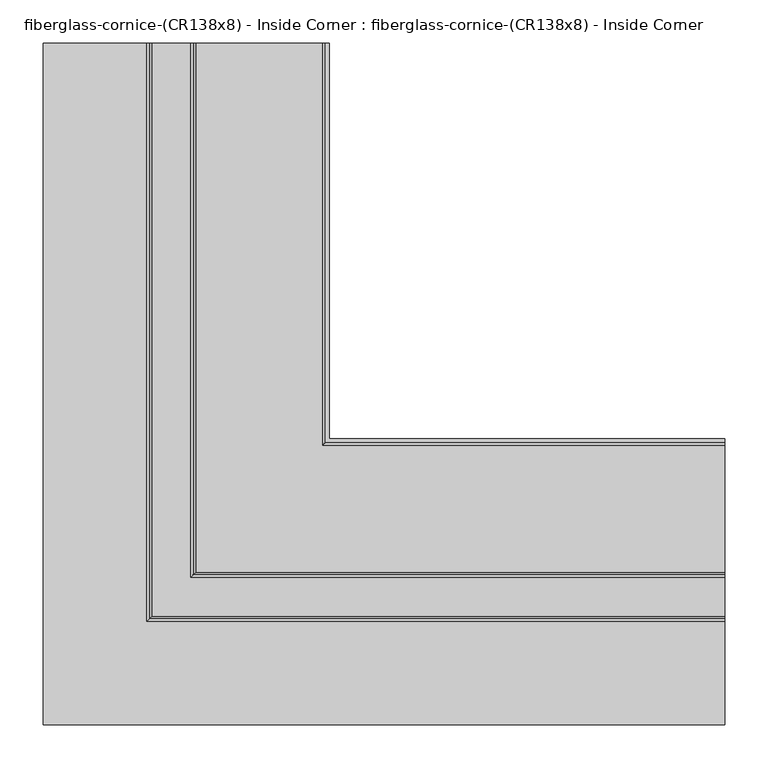
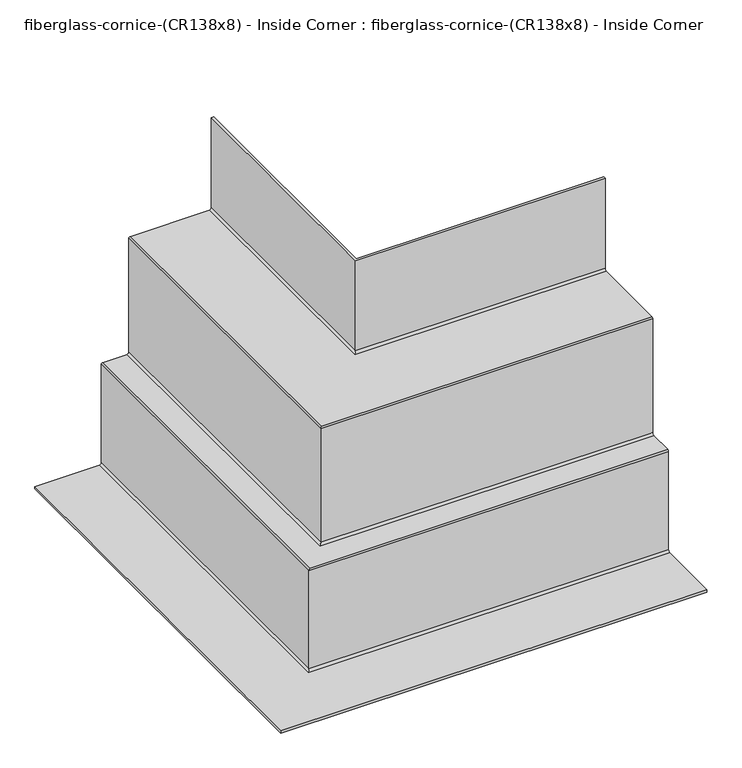
"""IFC4 building model written with IfcOpenShell, lengths in millimetres: furniture geometry, fiberglass-cornice-(CR138x8) - Inside Corner : fiberglass-cornice-(CR138x8) - Inside Corner."""

from ifc_helpers import new_model, si_unit, frame, origin, place, context, project, spatial, polyline, circle_curve, ellipse_curve, source, transform, mapped, element, save
from ifc_brep_helpers import plane_surface, cylinder_surface, revolved_surface, advanced_brep


def fiberglass_cornice_cr138x8_inside_corner_fiberglass_cornice_bce8684c(model_context):
    return source(origin(), model_context, "Body", "AdvancedBrep", [
        advanced_brep(
        [(-63.5000072, 888.603125, 330.1999904), (-63.5000072, 888.603125, 149.2249705), (-66.6749976, 888.603125, 146.0499801), (-212.7249739, 888.603125, 146.0499801), (-215.8999941, 888.603125, 142.8749599), (-215.8999941, 888.603125, -79.37501), (-219.0750144, 888.603125, -82.5500302), (-263.5249994, 888.603125, -82.5500302), (-266.7000196, 888.603125, -85.7250504), (-266.7000196, 888.603125, -277.8125273), (-269.8750196, 888.603125, -280.9875272), (-393.6999938, 888.603125, -280.9875272), (-393.6999938, 888.603125, -276.8600271), (-274.6375105, 888.603125, -276.8600271), (-270.827522, 888.603125, -273.0500386), (-270.827522, 888.603125, -80.9625797), (-268.2874701, 888.603125, -78.4225278), (-223.8375, 888.603125, -78.4225278), (-220.0274966, 888.603125, -74.6125244), (-220.0274966, 888.603125, 147.6374902), (-217.4875042, 888.603125, 150.1774825), (-71.4374981, 888.603125, 150.1774825), (-67.6275096, 888.603125, 153.987471), (-67.6275096, 888.603125, 330.1999904), (393.6999938, 431.4031117, 330.1999904), (393.6999938, 427.2756093, 330.1999904), (393.6999938, 427.2756093, 153.987471), (393.6999938, 423.4656208, 150.1774825), (393.6999938, 277.4156146, 150.1774825), (393.6999938, 274.8756223, 147.6374902), (393.6999938, 274.8756223, -74.6125244), (393.6999938, 271.0656189, -78.4225278), (393.6999938, 226.6156487, -78.4225278), (393.6999938, 224.0755968, -80.9625797), (393.6999938, 224.0755968, -273.0500386), (393.6999938, 220.2656083, -276.8600271), (393.6999938, 101.203125, -276.8600271), (393.6999938, 101.203125, -280.9875272), (393.6999938, 225.0280993, -280.9875272), (393.6999938, 228.2030993, -277.8125273), (393.6999938, 228.2030993, -85.7250504), (393.6999938, 231.3781195, -82.5500302), (393.6999938, 275.8281045, -82.5500302), (393.6999938, 279.0031247, -79.37501), (393.6999938, 279.0031247, 142.8749599), (393.6999938, 282.1781449, 146.0499801), (393.6999938, 428.2281213, 146.0499801), (393.6999938, 431.4031117, 149.2249705), (-63.5000072, 431.4031117, 330.1999904), (-63.5000072, 431.4031117, 149.2249705), (-66.6749976, 428.2281213, 146.0499801), (-212.7249739, 282.1781449, 146.0499801), (-215.8999941, 279.0031247, 142.8749599), (-215.8999941, 279.0031247, -79.37501), (-219.0750144, 275.8281045, -82.5500302), (-263.5249994, 231.3781195, -82.5500302), (-266.7000196, 228.2030993, -85.7250504), (-266.7000196, 228.2030993, -277.8125273), (-269.8750196, 225.0280993, -280.9875272), (-393.6999938, 101.203125, -280.9875272), (-393.6999938, 101.203125, -276.8600271), (-274.6375105, 220.2656083, -276.8600271), (-270.827522, 224.0755968, -273.0500386), (-270.827522, 224.0755968, -80.9625797), (-268.2874701, 226.6156487, -78.4225278), (-223.8375, 271.0656189, -78.4225278), (-220.0274966, 274.8756223, -74.6125244), (-220.0274966, 274.8756223, 147.6374902), (-217.4875042, 277.4156146, 150.1774825), (-71.4374981, 423.4656208, 150.1774825), (-67.6275096, 427.2756093, 153.987471), (-67.6275096, 427.2756093, 330.1999904)],
        [
            (0, 1),
            (1, 2, circle_curve(frame((-66.6749976, 888.603125, 149.2249705), z_axis=(0.0, 1.0, 0.0), x_axis=(1.0, 0.0, 0.0)), 3.1749904)),
            (2, 3),
            (3, 4, circle_curve(frame((-212.7249739, 888.603125, 142.8749599), z_axis=(0.0, -1.0, 0.0), x_axis=(1.0, 0.0, 0.0)), 3.1750202)),
            (4, 5),
            (5, 6, circle_curve(frame((-219.0750144, 888.603125, -79.37501), z_axis=(0.0, 1.0, 0.0), x_axis=(1.0, 0.0, 0.0)), 3.1750202)),
            (6, 7),
            (7, 8, circle_curve(frame((-263.5249994, 888.603125, -85.7250504), z_axis=(0.0, -1.0, 0.0), x_axis=(1.0, 0.0, 0.0)), 3.1750202)),
            (8, 9),
            (9, 10, circle_curve(frame((-269.8750196, 888.603125, -277.8125273), z_axis=(0.0, 1.0, 0.0), x_axis=(1.0, 0.0, 0.0)), 3.175)),
            (10, 11),
            (11, 12),
            (12, 13),
            (13, 14, circle_curve(frame((-274.6375105, 888.603125, -273.0500386), z_axis=(0.0, -1.0, 0.0), x_axis=(1.0, 0.0, 0.0)), 3.8099885)),
            (14, 15),
            (15, 16, circle_curve(frame((-268.2874701, 888.603125, -80.9625797), z_axis=(0.0, 1.0, 0.0), x_axis=(1.0, 0.0, 0.0)), 2.5400519)),
            (16, 17),
            (17, 18, circle_curve(frame((-223.8375, 888.603125, -74.6125244), z_axis=(0.0, -1.0, 0.0), x_axis=(1.0, 0.0, 0.0)), 3.8100034)),
            (18, 19),
            (19, 20, circle_curve(frame((-217.4875042, 888.603125, 147.6374902), z_axis=(0.0, 1.0, 0.0), x_axis=(1.0, 0.0, 0.0)), 2.5399923)),
            (20, 21),
            (21, 22, circle_curve(frame((-71.4374981, 888.603125, 153.987471), z_axis=(0.0, -1.0, 0.0), x_axis=(1.0, 0.0, 0.0)), 3.8099885)),
            (22, 23),
            (23, 0),
            (24, 25),
            (25, 26),
            (26, 27, circle_curve(frame((393.6999938, 423.4656208, 153.987471), z_axis=(-1.0, 0.0, 0.0), x_axis=(0.0, 1.0, 0.0)), 3.8099885)),
            (27, 28),
            (28, 29, circle_curve(frame((393.6999938, 277.4156146, 147.6374902), z_axis=(1.0, 0.0, 0.0), x_axis=(0.0, 1.0, 0.0)), 2.5399923)),
            (29, 30),
            (30, 31, circle_curve(frame((393.6999938, 271.0656189, -74.6125244), z_axis=(-1.0, 0.0, 0.0), x_axis=(0.0, 1.0, 0.0)), 3.8100034)),
            (31, 32),
            (32, 33, circle_curve(frame((393.6999938, 226.6156487, -80.9625797), z_axis=(1.0, 0.0, 0.0), x_axis=(0.0, 1.0, 0.0)), 2.5400519)),
            (33, 34),
            (34, 35, circle_curve(frame((393.6999938, 220.2656083, -273.0500386), z_axis=(-1.0, 0.0, 0.0), x_axis=(0.0, 1.0, 0.0)), 3.8099885)),
            (35, 36),
            (36, 37),
            (37, 38),
            (38, 39, circle_curve(frame((393.6999938, 225.0280993, -277.8125273), z_axis=(1.0, 0.0, 0.0), x_axis=(0.0, 1.0, 0.0)), 3.175)),
            (39, 40),
            (40, 41, circle_curve(frame((393.6999938, 231.3781195, -85.7250504), z_axis=(-1.0, 0.0, 0.0), x_axis=(0.0, 1.0, 0.0)), 3.1750202)),
            (41, 42),
            (42, 43, circle_curve(frame((393.6999938, 275.8281045, -79.37501), z_axis=(1.0, 0.0, 0.0), x_axis=(0.0, 1.0, 0.0)), 3.1750202)),
            (43, 44),
            (44, 45, circle_curve(frame((393.6999938, 282.1781449, 142.8749599), z_axis=(-1.0, 0.0, 0.0), x_axis=(0.0, 1.0, 0.0)), 3.1750202)),
            (45, 46),
            (46, 47, circle_curve(frame((393.6999938, 428.2281213, 149.2249705), z_axis=(1.0, 0.0, 0.0), x_axis=(0.0, 1.0, 0.0)), 3.1749904)),
            (47, 24),
            (0, 48),
            (48, 49),
            (49, 1),
            (49, 50, ellipse_curve(frame((-66.6749976, 428.2281213, 149.2249705), z_axis=(-0.7071067811865475, 0.7071067811865475, 0.0), x_axis=(0.7071067811865474, 0.7071067811865476, 0.0)), 4.4901145, 3.1749904)),
            (50, 2),
            (50, 46),
            (45, 51),
            (51, 3),
            (51, 52, ellipse_curve(frame((-212.7249739, 282.1781449, 142.8749599), z_axis=(0.7071067811865475, -0.7071067811865475, 0.0), x_axis=(-0.7071067811865474, -0.7071067811865476, 0.0)), 4.4901567, 3.1750202)),
            (52, 4),
            (52, 53),
            (53, 5),
            (53, 54, ellipse_curve(frame((-219.0750144, 275.8281045, -79.37501), z_axis=(-0.7071067811865475, 0.7071067811865475, 0.0), x_axis=(0.7071067811865474, 0.7071067811865476, 0.0)), 4.4901567, 3.1750202)),
            (54, 6),
            (54, 42),
            (41, 55),
            (55, 7),
            (55, 56, ellipse_curve(frame((-263.5249994, 231.3781195, -85.7250504), z_axis=(0.7071067811865475, -0.7071067811865475, 0.0), x_axis=(-0.7071067811865474, -0.7071067811865476, 0.0)), 4.4901567, 3.1750202)),
            (56, 8),
            (56, 57),
            (57, 9),
            (57, 58, ellipse_curve(frame((-269.8750196, 225.0280993, -277.8125273), z_axis=(-0.7071067811865475, 0.7071067811865475, 0.0), x_axis=(0.7071067811865474, 0.7071067811865476, 0.0)), 4.490128, 3.175)),
            (58, 10),
            (58, 38),
            (37, 59),
            (59, 11),
            (59, 60),
            (60, 12),
            (60, 36),
            (35, 61),
            (61, 13),
            (61, 62, ellipse_curve(frame((-274.6375105, 220.2656083, -273.0500386), z_axis=(0.7071067811865475, -0.7071067811865475, 0.0), x_axis=(-0.7071067811865474, -0.7071067811865476, 0.0)), 5.3881374, 3.8099885)),
            (62, 14),
            (62, 63),
            (63, 15),
            (63, 64, ellipse_curve(frame((-268.2874701, 226.6156487, -80.9625797), z_axis=(-0.7071067811865475, 0.7071067811865475, 0.0), x_axis=(0.7071067811865474, 0.7071067811865476, 0.0)), 3.5921759, 2.5400519)),
            (64, 16),
            (64, 32),
            (31, 65),
            (65, 17),
            (65, 66, ellipse_curve(frame((-223.8375, 271.0656189, -74.6125244), z_axis=(0.7071067811865475, -0.7071067811865475, 0.0), x_axis=(-0.7071067811865474, -0.7071067811865476, 0.0)), 5.3881585, 3.8100034)),
            (66, 18),
            (66, 67),
            (67, 19),
            (67, 68, ellipse_curve(frame((-217.4875042, 277.4156146, 147.6374902), z_axis=(-0.7071067811865475, 0.7071067811865475, 0.0), x_axis=(0.7071067811865474, 0.7071067811865476, 0.0)), 3.5920916, 2.5399923)),
            (68, 20),
            (68, 28),
            (27, 69),
            (69, 21),
            (69, 70, ellipse_curve(frame((-71.4374981, 423.4656208, 153.987471), z_axis=(0.7071067811865475, -0.7071067811865475, 0.0), x_axis=(-0.7071067811865474, -0.7071067811865476, 0.0)), 5.3881374, 3.8099885)),
            (70, 22),
            (70, 71),
            (71, 23),
            (71, 25),
            (24, 48),
            (47, 49),
            (44, 52),
            (43, 53),
            (40, 56),
            (39, 57),
            (34, 62),
            (33, 63),
            (30, 66),
            (29, 67),
            (26, 70),
        ],
        [
            plane_surface(frame((-393.6999938, 888.603125, 330.1999904), z_axis=(0.0, 1.0, 0.0), x_axis=(0.0, 0.0, 1.0))),
            plane_surface(frame((393.6999938, 101.203125, 330.1999904), z_axis=(1.0, 0.0, 0.0), x_axis=(0.0, 0.0, 1.0))),
            plane_surface(frame((-63.5000072, 888.603125, 330.1999904), z_axis=(1.0, 0.0, 0.0), x_axis=(0.0, -1.0, 0.0))),
            cylinder_surface(frame((-66.6749976, 888.603125, 149.2249705), z_axis=(0.0, 1.0, 0.0), x_axis=(1.0, 0.0, 0.0)), 3.1749904),
            plane_surface(frame((-66.6749976, 888.603125, 146.0499801), z_axis=(0.0, 0.0, -1.0), x_axis=(0.0, -1.0, 0.0))),
            revolved_surface(polyline([(-209.5499537, 279.00312464883984, 142.8749599), (-209.5499537, 888.603125, 142.8749599)]), (-212.7249739, 888.603125, 142.8749599), (0.0, -1.0, 0.0)),
            plane_surface(frame((-215.8999941, 888.603125, 142.8749599), z_axis=(1.0, 0.0, 0.0), x_axis=(0.0, -1.0, 0.0))),
            cylinder_surface(frame((-219.0750144, 888.603125, -79.37501), z_axis=(0.0, 1.0, 0.0), x_axis=(1.0, 0.0, 0.0)), 3.1750202),
            plane_surface(frame((-219.0750144, 888.603125, -82.5500302), z_axis=(0.0, 0.0, -1.0), x_axis=(0.0, -1.0, 0.0))),
            revolved_surface(polyline([(-260.3499792, 228.20309924883986, -85.7250504), (-260.3499792, 888.603125, -85.7250504)]), (-263.5249994, 888.603125, -85.7250504), (0.0, -1.0, 0.0)),
            plane_surface(frame((-266.7000196, 888.603125, -85.7250504), z_axis=(1.0, 0.0, 0.0), x_axis=(0.0, -1.0, 0.0))),
            cylinder_surface(frame((-269.8750196, 888.603125, -277.8125273), z_axis=(0.0, 1.0, 0.0), x_axis=(1.0, 0.0, 0.0)), 3.175),
            plane_surface(frame((-269.8750196, 888.603125, -280.9875272), z_axis=(0.0, 0.0, -1.0), x_axis=(0.0, -1.0, 0.0))),
            plane_surface(frame((-393.6999938, 888.603125, -280.9875272), z_axis=(-1.0, 0.0, 0.0), x_axis=(0.0, -1.0, 0.0))),
            plane_surface(frame((-393.6999938, 888.603125, -276.8600271), z_axis=(0.0, 0.0, 1.0), x_axis=(0.0, -1.0, 0.0))),
            revolved_surface(polyline([(-270.82752200000004, 216.45561980649518, -273.0500386), (-270.82752200000004, 888.603125, -273.0500386)]), (-274.6375105, 888.603125, -273.0500386), (0.0, -1.0, 0.0)),
            plane_surface(frame((-270.827522, 888.603125, -273.0500386), z_axis=(-1.0, 0.0, 0.0), x_axis=(0.0, -1.0, 0.0))),
            cylinder_surface(frame((-268.2874701, 888.603125, -80.9625797), z_axis=(0.0, 1.0, 0.0), x_axis=(1.0, 0.0, 0.0)), 2.5400519),
            plane_surface(frame((-268.2874701, 888.603125, -78.4225278), z_axis=(0.0, 0.0, 1.0), x_axis=(0.0, -1.0, 0.0))),
            revolved_surface(polyline([(-220.0274966, 267.25561548654207, -74.6125244), (-220.0274966, 888.603125, -74.6125244)]), (-223.8375, 888.603125, -74.6125244), (0.0, -1.0, 0.0)),
            plane_surface(frame((-220.0274966, 888.603125, -74.6125244), z_axis=(-1.0, 0.0, 0.0), x_axis=(0.0, -1.0, 0.0))),
            cylinder_surface(frame((-217.4875042, 888.603125, 147.6374902), z_axis=(0.0, 1.0, 0.0), x_axis=(1.0, 0.0, 0.0)), 2.5399923),
            plane_surface(frame((-217.4875042, 888.603125, 150.1774825), z_axis=(0.0, 0.0, 1.0), x_axis=(0.0, -1.0, 0.0))),
            revolved_surface(polyline([(-67.6275096, 419.65563230649514, 153.987471), (-67.6275096, 888.603125, 153.987471)]), (-71.4374981, 888.603125, 153.987471), (0.0, -1.0, 0.0)),
            plane_surface(frame((-67.6275096, 888.603125, 153.987471), z_axis=(-1.0, 0.0, 0.0), x_axis=(0.0, -1.0, 0.0))),
            plane_surface(frame((-67.6275096, 888.603125, 330.1999904), z_axis=(0.0, 0.0, 1.0), x_axis=(0.0, -1.0, 0.0))),
            plane_surface(frame((-63.5000072, 431.4031117, 330.1999904), z_axis=(0.0, 1.0, 0.0), x_axis=(1.0, 0.0, 0.0))),
            cylinder_surface(frame((-393.6999938, 428.2281213, 149.2249705), z_axis=(-1.0, 0.0, 0.0), x_axis=(0.0, 1.0, 0.0)), 3.1749904),
            revolved_surface(polyline([(393.6999938, 285.3531651, 142.8749599), (-215.89999415116023, 285.3531651, 142.8749599)]), (-393.6999938, 282.1781449, 142.8749599), (1.0, 0.0, 0.0)),
            plane_surface(frame((-215.8999941, 279.0031247, 142.8749599), z_axis=(0.0, 1.0, 0.0), x_axis=(1.0, 0.0, 0.0))),
            cylinder_surface(frame((-393.6999938, 275.8281045, -79.37501), z_axis=(-1.0, 0.0, 0.0), x_axis=(0.0, 1.0, 0.0)), 3.1750202),
            revolved_surface(polyline([(393.6999938, 234.5531397, -85.7250504), (-266.70001965116023, 234.5531397, -85.7250504)]), (-393.6999938, 231.3781195, -85.7250504), (1.0, 0.0, 0.0)),
            plane_surface(frame((-266.7000196, 228.2030993, -85.7250504), z_axis=(0.0, 1.0, 0.0), x_axis=(1.0, 0.0, 0.0))),
            cylinder_surface(frame((-393.6999938, 225.0280993, -277.8125273), z_axis=(-1.0, 0.0, 0.0), x_axis=(0.0, 1.0, 0.0)), 3.175),
            plane_surface(frame((-393.6999938, 101.203125, -280.9875272), z_axis=(0.0, -1.0, 0.0), x_axis=(1.0, 0.0, 0.0))),
            revolved_surface(polyline([(393.6999938, 224.0755968, -273.0500386), (-278.44749899350484, 224.0755968, -273.0500386)]), (-393.6999938, 220.2656083, -273.0500386), (1.0, 0.0, 0.0)),
            plane_surface(frame((-270.827522, 224.0755968, -273.0500386), z_axis=(0.0, -1.0, 0.0), x_axis=(1.0, 0.0, 0.0))),
            cylinder_surface(frame((-393.6999938, 226.6156487, -80.9625797), z_axis=(-1.0, 0.0, 0.0), x_axis=(0.0, 1.0, 0.0)), 2.5400519),
            revolved_surface(polyline([(393.6999938, 274.87562230000003, -74.6125244), (-227.64750341345794, 274.87562230000003, -74.6125244)]), (-393.6999938, 271.0656189, -74.6125244), (1.0, 0.0, 0.0)),
            plane_surface(frame((-220.0274966, 274.8756223, -74.6125244), z_axis=(0.0, -1.0, 0.0), x_axis=(1.0, 0.0, 0.0))),
            cylinder_surface(frame((-393.6999938, 277.4156146, 147.6374902), z_axis=(-1.0, 0.0, 0.0), x_axis=(0.0, 1.0, 0.0)), 2.5399923),
            revolved_surface(polyline([(393.6999938, 427.2756093, 153.987471), (-75.24748659350485, 427.2756093, 153.987471)]), (-393.6999938, 423.4656208, 153.987471), (1.0, 0.0, 0.0)),
            plane_surface(frame((-67.6275096, 427.2756093, 153.987471), z_axis=(0.0, -1.0, 0.0), x_axis=(1.0, 0.0, 0.0))),
        ],
        [
            (0, [[1, 2, 3, 4, 5, 6, 7, 8, 9, 10, 11, 12, 13, 14, 15, 16, 17, 18, 19, 20, 21, 22, 23, 24]]),
            (1, [[25, 26, 27, 28, 29, 30, 31, 32, 33, 34, 35, 36, 37, 38, 39, 40, 41, 42, 43, 44, 45, 46, 47, 48]]),
            (2, [[-1, 49, 50, 51]]),
            (3, [[-2, -51, 52, 53]]),
            (4, [[-3, -53, 54, -46, 55, 56]]),
            (5, [[-4, -56, 57, 58]]),
            (6, [[-5, -58, 59, 60]]),
            (7, [[-6, -60, 61, 62]]),
            (8, [[-7, -62, 63, -42, 64, 65]]),
            (9, [[-8, -65, 66, 67]]),
            (10, [[-9, -67, 68, 69]]),
            (11, [[-10, -69, 70, 71]]),
            (12, [[-11, -71, 72, -38, 73, 74]]),
            (13, [[-12, -74, 75, 76]]),
            (14, [[-13, -76, 77, -36, 78, 79]]),
            (15, [[-14, -79, 80, 81]]),
            (16, [[-15, -81, 82, 83]]),
            (17, [[-16, -83, 84, 85]]),
            (18, [[-17, -85, 86, -32, 87, 88]]),
            (19, [[-18, -88, 89, 90]]),
            (20, [[-19, -90, 91, 92]]),
            (21, [[-20, -92, 93, 94]]),
            (22, [[-21, -94, 95, -28, 96, 97]]),
            (23, [[-22, -97, 98, 99]]),
            (24, [[-23, -99, 100, 101]]),
            (25, [[-24, -101, 102, -25, 103, -49]]),
            (26, [[-50, -103, -48, 104]]),
            (27, [[-52, -104, -47, -54]]),
            (28, [[-57, -55, -45, 105]]),
            (29, [[-59, -105, -44, 106]]),
            (30, [[-61, -106, -43, -63]]),
            (31, [[-66, -64, -41, 107]]),
            (32, [[-68, -107, -40, 108]]),
            (33, [[-70, -108, -39, -72]]),
            (34, [[-75, -73, -37, -77]]),
            (35, [[-80, -78, -35, 109]]),
            (36, [[-82, -109, -34, 110]]),
            (37, [[-84, -110, -33, -86]]),
            (38, [[-89, -87, -31, 111]]),
            (39, [[-91, -111, -30, 112]]),
            (40, [[-93, -112, -29, -95]]),
            (41, [[-98, -96, -27, 113]]),
            (42, [[-100, -113, -26, -102]]),
        ],
    ),
    ])


if __name__ == "__main__":
    model = new_model("IFC4")
    model_context = context("Model", 3, world=origin())
    ifc_project = project(units=[si_unit("LENGTHUNIT", "METRE", prefix="MILLI")], contexts=[model_context])
    site = spatial("IfcSite", under=ifc_project)
    building = spatial("IfcBuilding", under=site)
    placement = place(None, origin())
    fiberglass_cornice_cr138x8_inside_corner_fiberglass_cornice_shape = fiberglass_cornice_cr138x8_inside_corner_fiberglass_cornice_bce8684c(model_context)
    element("IfcFurniture", 1, ObjectType="fiberglass-cornice-(CR138x8) - Inside Corner : fiberglass-cornice-(CR138x8) - Inside Corner", at=placement, inside=building, context=model_context, shape_type="MappedRepresentation", body=[
        mapped(fiberglass_cornice_cr138x8_inside_corner_fiberglass_cornice_shape, transform((0.0, 0.0, 0.0), x_axis=(1.0, 0.0, 0.0), y_axis=(0.0, 1.0, 0.0), z_axis=(0.0, 0.0, 1.0))),
    ])
    save(model, "model.ifc")
